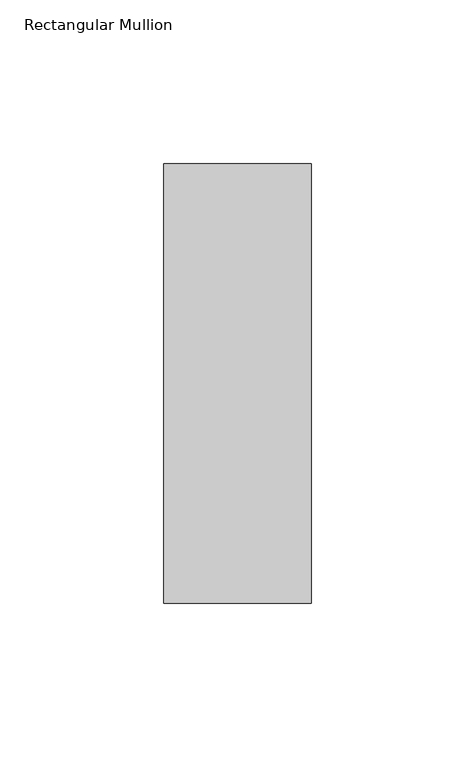
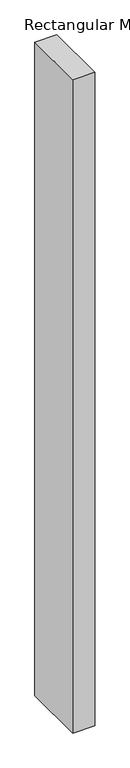
"""IFC4 building model written with IfcOpenShell, lengths in millimetres: member geometry, Rectangular Mullion."""

import ifcopenshell
import ifcopenshell.guid

model = None  # the IFC model being written
_history = None  # IfcOwnerHistory: only IFC2X3 demands one
_inside = {}  # id of a spatial element -> (the spatial element, [elements in it])
_under = {}  # id of a project, library or spatial element -> (it, [spatial elements below it])
_declared = {}  # id of a project -> (the project, [libraries it declares])
_typed = {}  # id of a type object -> (the type object, [elements of that type])
_made_of = {}  # id of a material, layer set ... -> (it, [elements and type objects made of it])


def new_model(schema):
    """Start an empty IFC model of exactly this schema.

    Asked for "IFC4X3", IfcOpenShell would pick the latest addendum, in which some entities
    have other attributes; the version numbers below select the first issue.
    IFC2X3 requires an IfcOwnerHistory on every rooted entity: one is made here for all.
    """
    global model, _history
    if schema == "IFC4X3":
        model = ifcopenshell.file(schema_version=(4, 3, 0, 0))
    else:
        model = ifcopenshell.file(schema=schema)
    _inside.clear()
    _under.clear()
    _declared.clear()
    _typed.clear()
    _made_of.clear()
    _history = None
    if model.schema == "IFC2X3":
        org = make("IfcOrganization", Name="unknown")
        user = make(
            "IfcPersonAndOrganization",
            ThePerson=make("IfcPerson", FamilyName="unknown"),
            TheOrganization=org,
        )
        app = make(
            "IfcApplication",
            ApplicationDeveloper=org,
            Version="unknown",
            ApplicationFullName="unknown",
            ApplicationIdentifier="unknown",
        )
        _history = make(
            "IfcOwnerHistory",
            OwningUser=user,
            OwningApplication=app,
            ChangeAction="ADDED",
            CreationDate=0,
        )
    return model


def make(cls, **values):
    """One entity of the class cls with the attributes given. An attribute that is None is left unset."""
    return model.create_entity(
        cls, **{name: value for name, value in values.items() if value is not None}
    )


def rooted(cls, **values):
    """An entity with a GlobalId (a new one), such as an element, a storey or a relation."""
    return make(cls, GlobalId=ifcopenshell.guid.new(), OwnerHistory=_history, **values)


def si_unit(unit_type, name, prefix=None):
    """IfcSIUnit, for example si_unit("LENGTHUNIT", "METRE", prefix="MILLI")."""
    return make("IfcSIUnit", UnitType=unit_type, Prefix=prefix, Name=name)


def assignment(units):
    """IfcUnitAssignment: the units of a project."""
    return None if units is None else make("IfcUnitAssignment", Units=units)


def point(xyz):
    """IfcCartesianPoint."""
    return None if xyz is None else make("IfcCartesianPoint", Coordinates=xyz)


def direction(xyz):
    """IfcDirection."""
    return None if xyz is None else make("IfcDirection", DirectionRatios=xyz)


def frame(location, z_axis=None, x_axis=None):
    """IfcAxis2Placement3D, a coordinate frame: its origin and axes. An axis left out is left unset."""
    return make(
        "IfcAxis2Placement3D",
        Location=point(location),
        Axis=direction(z_axis),
        RefDirection=direction(x_axis),
    )


def origin():
    """The frame at (0, 0, 0) with its axes left unset."""
    return frame((0.0, 0.0, 0.0))


def place(relative_to, where):
    """IfcLocalPlacement: puts the frame where relative to a parent placement (None: the world)."""
    return make(
        "IfcLocalPlacement", PlacementRelTo=relative_to, RelativePlacement=where
    )


def context(
    kind, dimensions, precision=None, world=None, true_north=None, identifier=None
):
    """IfcGeometricRepresentationContext, for example the 3D "Model" context."""
    return make(
        "IfcGeometricRepresentationContext",
        ContextIdentifier=identifier,
        ContextType=kind,
        CoordinateSpaceDimension=dimensions,
        Precision=precision,
        WorldCoordinateSystem=world,
        TrueNorth=true_north,
    )


def project(units=None, contexts=None):
    """IfcProject with its units and contexts."""
    return rooted(
        "IfcProject",
        Name="project",
        RepresentationContexts=contexts,
        UnitsInContext=assignment(units),
    )


def spatial(cls, under=None, at=None, **own):
    """A site, building, storey or space (cls), placed at a placement, below another one or the project."""
    s = rooted(cls, ObjectPlacement=at, **own)
    if under is not None:
        _under.setdefault(under.id(), (under, []))[1].append(s)
    return s


def polyline(points):
    """IfcPolyline through the points."""
    return make("IfcPolyline", Points=[point(p) for p in points])


def outline(outer, holes=None, kind="AREA"):
    """IfcArbitraryClosedProfileDef: a profile drawn as a closed curve; with holes, ...WithVoids."""
    if holes is None:
        return make("IfcArbitraryClosedProfileDef", ProfileType=kind, OuterCurve=outer)
    return make(
        "IfcArbitraryProfileDefWithVoids",
        ProfileType=kind,
        OuterCurve=outer,
        InnerCurves=holes,
    )


def extrude(swept, where, along, depth):
    """IfcExtrudedAreaSolid: the profile swept, set in the frame where, extruded along a direction by depth."""
    return make(
        "IfcExtrudedAreaSolid",
        SweptArea=swept,
        Position=where,
        ExtrudedDirection=direction(along),
        Depth=depth,
    )


def shape(context_of_items, identifier, shape_type, items):
    """IfcShapeRepresentation: the items that make up one representation, for example the "Body"."""
    return make(
        "IfcShapeRepresentation",
        ContextOfItems=context_of_items,
        RepresentationIdentifier=identifier,
        RepresentationType=shape_type,
        Items=items,
    )


def source(mapping_origin, context_of_items, identifier, shape_type, items):
    """IfcRepresentationMap: a shape defined once, which mapped items show again and again."""
    return make(
        "IfcRepresentationMap",
        MappingOrigin=mapping_origin,
        MappedRepresentation=shape(context_of_items, identifier, shape_type, items),
    )


def transform(
    local_origin,
    x_axis=None,
    y_axis=None,
    z_axis=None,
    scale=None,
    scale2=None,
    scale3=None,
    uniform=True,
):
    """IfcCartesianTransformationOperator3D, or its non-uniform kind. x_axis, y_axis, z_axis: its Axis1, 2, 3."""
    if uniform:
        return make(
            "IfcCartesianTransformationOperator3D",
            Axis1=direction(x_axis),
            Axis2=direction(y_axis),
            LocalOrigin=point(local_origin),
            Scale=scale,
            Axis3=direction(z_axis),
        )
    return make(
        "IfcCartesianTransformationOperator3DnonUniform",
        Axis1=direction(x_axis),
        Axis2=direction(y_axis),
        LocalOrigin=point(local_origin),
        Scale=scale,
        Axis3=direction(z_axis),
        Scale2=scale2,
        Scale3=scale3,
    )


def mapped(mapping_source, mapping_target):
    """IfcMappedItem: shows the shape of a source again, moved by a transform."""
    return make(
        "IfcMappedItem", MappingSource=mapping_source, MappingTarget=mapping_target
    )


def made_of(thing, what):
    """Note that an element or type object is made of a material, layer set ...; save() writes the relation."""
    if what is not None:
        _made_of.setdefault(what.id(), (what, []))[1].append(thing)
    return thing


def element(
    cls,
    number,
    at=None,
    inside=None,
    cuts=None,
    type_object=None,
    material=None,
    context=None,
    identifier="Body",
    shape_type=None,
    held_by="IfcProductDefinitionShape",
    body=None,
    shapes=None,
    **own,
):
    """One element of the class cls, such as IfcWall. Its Tag is "e" and its number.

    at: its placement. inside: the storey or other place that contains it. cuts: it is an
    opening in that element (IfcRelVoidsElement). A single representation is given by context,
    identifier, shape_type and body (its items); several are given by shapes. held_by: the class
    of the entity that holds the representations. save() writes the other relations.
    """
    e = rooted(cls, Tag="e%d" % number, ObjectPlacement=at, **own)
    if body is not None:
        shapes = [shape(context, identifier, shape_type, body)]
    if shapes is not None:
        e.Representation = make(held_by, Representations=shapes)
    if inside is not None:
        _inside.setdefault(inside.id(), (inside, []))[1].append(e)
    if cuts is not None:
        rooted(
            "IfcRelVoidsElement", RelatingBuildingElement=cuts, RelatedOpeningElement=e
        )
    if type_object is not None:
        _typed.setdefault(type_object.id(), (type_object, []))[1].append(e)
    return made_of(e, material)


def aggregate(whole, parts):
    """IfcRelAggregates: a whole, such as a stair, and the parts it consists of."""
    return rooted("IfcRelAggregates", RelatingObject=whole, RelatedObjects=parts)


def save(model, path):
    """Write the relations noted so far, then the file.

    IfcRelAggregates (storeys below a building ...), IfcRelContainedInSpatialStructure (elements
    in a storey), IfcRelDefinesByType, IfcRelAssociatesMaterial and IfcRelDeclares: one each for
    every whole, place, type object, material and project.
    """
    for whole, parts in _under.values():
        aggregate(whole, parts)
    for where, things in _inside.values():
        rooted(
            "IfcRelContainedInSpatialStructure",
            RelatedElements=things,
            RelatingStructure=where,
        )
    for kind, things in _typed.values():
        rooted("IfcRelDefinesByType", RelatedObjects=things, RelatingType=kind)
    for what, things in _made_of.values():
        rooted("IfcRelAssociatesMaterial", RelatedObjects=things, RelatingMaterial=what)
    for by, libraries in _declared.values():
        rooted("IfcRelDeclares", RelatingContext=by, RelatedDefinitions=libraries)
    model.write(path)


def rectangular_mullion_0c5f22db(model_context):
    return source(origin(), model_context, "Body", "SweptSolid", [
        extrude(outline(polyline([(-45.0, 82.60625), (0.0, 82.60625), (0.0, -51.60625), (-45.0, -51.60625), (-45.0, 82.60625)])), frame((0.0, 0.0, -1416.8930608), z_axis=(0.0, 0.0, 1.0), x_axis=(1.0, 0.0, 0.0)), (0.0, 0.0, 1.0), 1416.8930608),
    ])


if __name__ == "__main__":
    model = new_model("IFC4")
    model_context = context("Model", 3, world=origin())
    ifc_project = project(units=[si_unit("LENGTHUNIT", "METRE", prefix="MILLI")], contexts=[model_context])
    site = spatial("IfcSite", under=ifc_project)
    building = spatial("IfcBuilding", under=site)
    placement = place(None, origin())
    rectangular_mullion_shape = rectangular_mullion_0c5f22db(model_context)
    element("IfcMember", 1, ObjectType="Rectangular Mullion", at=placement, inside=building, context=model_context, shape_type="MappedRepresentation", body=[
        mapped(rectangular_mullion_shape, transform((0.0, 0.0, 0.0), x_axis=(1.0, 0.0, 0.0), y_axis=(0.0, 1.0, 0.0), z_axis=(0.0, 0.0, 1.0))),
    ])
    save(model, "model.ifc")
